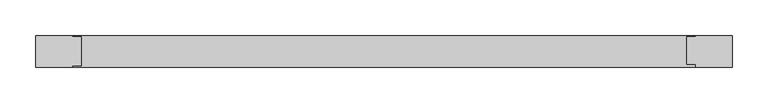
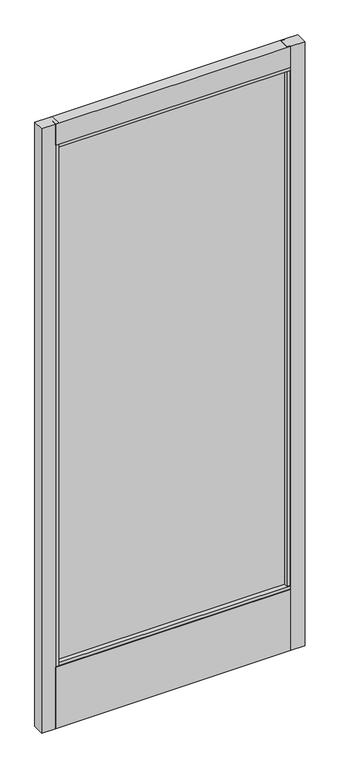
"""IFC4 building model written with IfcOpenShell, lengths in millimetres: plate geometry."""

from ifc_helpers import new_model, si_unit, frame, origin, place, context, project, spatial, polyline, outline, extrude, source, transform, mapped, element, save


def plate_e55c2c62(model_context):
    return source(origin(), model_context, "Body", "SweptSolid", [
        extrude(outline(polyline([(-490.5383852, 14.2875), (-438.9345147, 14.2875), (-438.9345147, 12.7276195), (-426.2345147, 12.7276195), (-426.2345147, -28.2929584), (-438.9345147, -28.2929584), (-438.9345147, -30.1625), (-490.5383852, -30.1625), (-490.5383852, 14.2875)])), frame((0.0, 0.0, 17.4625), z_axis=(0.0, 0.0, 1.0), x_axis=(1.0, 0.0, 0.0)), (0.0, 0.0, 1.0), 2379.2344027),
        extrude(outline(polyline([(-434.626051, -10.8991855), (-434.626051, -4.5491855), (431.0155572, -4.5491855), (431.0155572, -10.8991855), (-434.626051, -10.8991855)])), frame((0.0, 0.0, 263.906), z_axis=(0.0, 0.0, 1.0), x_axis=(1.0, 0.0, 0.0)), (0.0, 0.0, 1.0), 2045.4784027),
        extrude(outline(polyline([(490.5383852, 14.2875), (490.5383852, -30.1625), (438.9345147, -30.1625), (438.9345147, -26.0572968), (426.2345147, -26.0572968), (426.2345147, 12.7276195), (438.9345147, 12.7276195), (438.9345147, 14.2875), (490.5383852, 14.2875)])), frame((0.0, 0.0, 17.4625), z_axis=(0.0, 0.0, 1.0), x_axis=(1.0, 0.0, 0.0)), (0.0, 0.0, 1.0), 2379.2344027),
        extrude(outline(polyline([(-30.1625, 2396.6969027), (14.2875, 2396.6969027), (14.2875, 2314.1496967), (12.7276195, 2314.1496967), (12.7276195, 2301.4469027), (-28.2929584, 2301.4469027), (-28.2929584, 2314.1496967), (-30.1625, 2314.1496967), (-30.1625, 2396.6969027)])), frame((-438.9345147, 0.0, 0.0), z_axis=(1.0, 0.0, 0.0), x_axis=(0.0, 1.0, 0.0)), (0.0, 0.0, 1.0), 877.8690294),
        extrude(outline(polyline([(-28.2929584, 271.4298836), (12.7276195, 271.4298836), (12.7276195, 258.7303916), (14.2875, 258.7303916), (14.2875, 17.4625), (-30.1625, 17.4625), (-30.1625, 258.7303916), (-28.2929584, 258.7303916), (-28.2929584, 271.4298836)])), frame((-438.9345147, 0.0, 0.0), z_axis=(1.0, 0.0, 0.0), x_axis=(0.0, 1.0, 0.0)), (0.0, 0.0, 1.0), 877.8690294),
    ])


if __name__ == "__main__":
    model = new_model("IFC4")
    model_context = context("Model", 3, world=origin())
    ifc_project = project(units=[si_unit("LENGTHUNIT", "METRE", prefix="MILLI")], contexts=[model_context])
    site = spatial("IfcSite", under=ifc_project)
    building = spatial("IfcBuilding", under=site)
    placement = place(None, origin())
    plate_shape = plate_e55c2c62(model_context)
    element("IfcPlate", 1, at=placement, inside=building, context=model_context, shape_type="MappedRepresentation", body=[
        mapped(plate_shape, transform((0.0, 0.0, 0.0), x_axis=(1.0, 0.0, 0.0), y_axis=(0.0, 1.0, 0.0), z_axis=(0.0, 0.0, 1.0))),
    ])
    save(model, "model.ifc")
